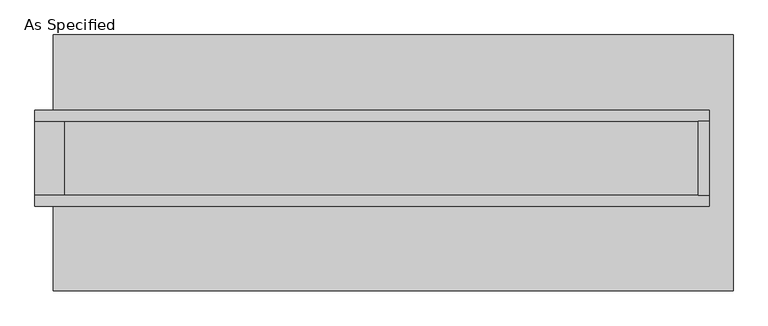
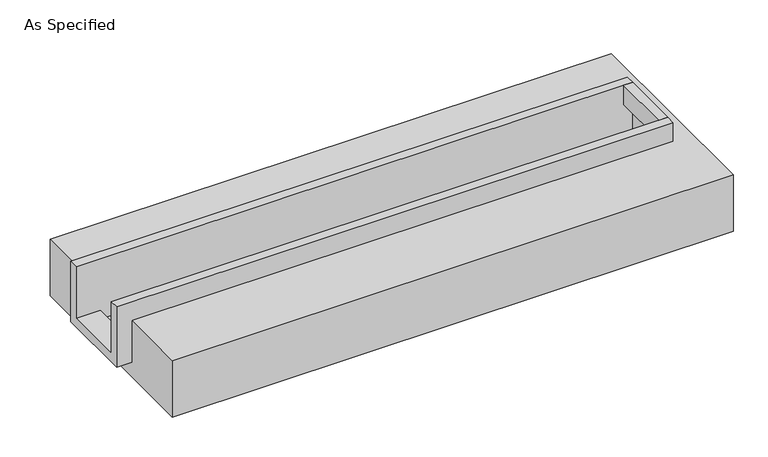
"""IFC4 building model written with IfcOpenShell, lengths in millimetres: proxy geometry, As Specified."""

from ifc_helpers import new_model, si_unit, frame, origin, place, context, project, spatial, polyline, outline, extrude, faceted_brep, source, transform, mapped, element, save


def as_specified_80cea98a(model_context):
    return source(origin(), model_context, "Body", "SolidModel", [
        extrude(outline(polyline([(2101.85, 285.75), (2178.05, 285.75), (2178.05, -222.25), (2101.85, -222.25), (2101.85, 285.75)])), frame((0.0, 0.0, -25.4), z_axis=(0.0, 0.0, 1.0), x_axis=(1.0, 0.0, 0.0)), (0.0, 0.0, 1.0), 165.1),
        faceted_brep([(2178.05, 285.75, 139.7), (2178.05, 285.75, -317.5), (2178.05, -222.25, -317.5), (2178.05, -222.25, 139.7), (2178.05, -298.45, 139.7), (2178.05, -298.45, -393.7), (2178.05, 361.95, -393.7), (2178.05, 361.95, 139.7), (-2470.15, 285.75, 139.7), (-2470.15, 361.95, 139.7), (-2470.15, 361.95, -393.7), (-2470.15, -298.45, -393.7), (-2470.15, -298.45, 139.7), (-2470.15, -222.25, 139.7), (-2470.15, -222.25, -317.5), (-2470.15, 285.75, -317.5), (-2266.95, 285.75, -393.7), (-2266.95, -222.25, -393.7), (2101.85, -222.25, -393.7), (2101.85, 285.75, -393.7), (2101.85, -222.25, -317.5), (-2266.95, -222.25, -317.5), (2101.85, 285.75, -317.5), (-2266.95, 285.75, -317.5)], [[[0, 1, 2, 3, 4, 5, 6, 7]], [[8, 9, 10, 11, 12, 13, 14, 15]], [[0, 7, 9, 8]], [[7, 6, 10, 9]], [[6, 5, 11, 10], [16, 17, 18, 19]], [[4, 3, 13, 12]], [[3, 2, 20, 18, 17, 21, 14, 13]], [[2, 1, 22, 20]], [[15, 14, 21, 23]], [[1, 0, 8, 15, 23, 16, 19, 22]], [[21, 17, 16, 23]], [[18, 20, 22, 19]], [[5, 4, 12, 11]]]),
        faceted_brep([(-2343.15, 882.65, -523.9742188), (2343.15, 882.65, -523.9742188), (2343.15, -882.65, -523.9742188), (-2343.15, -882.65, -523.9742188), (2343.15, 882.65, -25.4), (-2343.15, 882.65, -25.4), (-2343.15, 361.95, -25.4), (2178.05, 361.95, -25.4), (2178.05, -298.45, -25.4), (-2343.15, -298.45, -25.4), (-2343.15, -882.65, -25.4), (2343.15, -882.65, -25.4), (-2343.15, -298.45, -393.7), (-2343.15, 361.95, -393.7), (2178.05, 361.95, -393.7), (2178.05, -298.45, -393.7)], [[[0, 1, 2, 3]], [[4, 5, 6, 7, 8, 9, 10, 11]], [[1, 0, 5, 4]], [[5, 0, 3, 10, 9, 12, 13, 6]], [[1, 4, 11, 2]], [[3, 2, 11, 10]], [[14, 15, 8, 7]], [[13, 14, 7, 6]], [[15, 14, 13, 12]], [[15, 12, 9, 8]]]),
    ])


if __name__ == "__main__":
    model = new_model("IFC4")
    model_context = context("Model", 3, world=origin())
    ifc_project = project(units=[si_unit("LENGTHUNIT", "METRE", prefix="MILLI")], contexts=[model_context])
    site = spatial("IfcSite", under=ifc_project)
    building = spatial("IfcBuilding", under=site)
    placement = place(None, origin())
    as_specified_shape = as_specified_80cea98a(model_context)
    element("IfcBuildingElementProxy", 1, Name="As Specified", ObjectType="As Specified", at=placement, inside=building, context=model_context, shape_type="MappedRepresentation", body=[
        mapped(as_specified_shape, transform((0.0, 0.0, 0.0), x_axis=(1.0, 0.0, 0.0), y_axis=(0.0, 1.0, 0.0), z_axis=(0.0, 0.0, 1.0))),
    ])
    save(model, "model.ifc")
